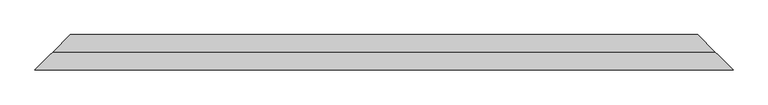
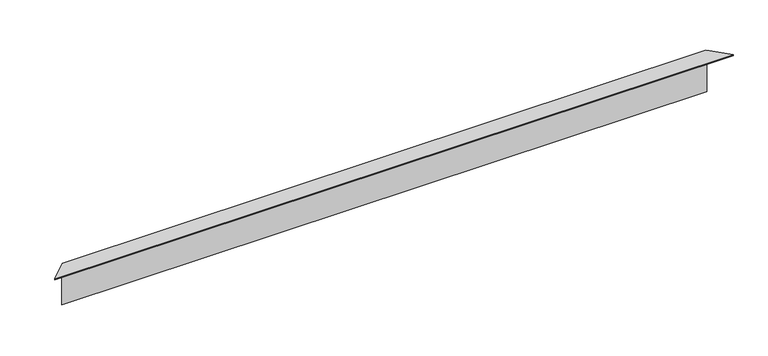
"""IFC4 building model written with IfcOpenShell, lengths in millimetres: proxy geometry."""

import ifcopenshell
import ifcopenshell.guid

model = None  # the IFC model being written
_history = None  # IfcOwnerHistory: only IFC2X3 demands one
_inside = {}  # id of a spatial element -> (the spatial element, [elements in it])
_under = {}  # id of a project, library or spatial element -> (it, [spatial elements below it])
_declared = {}  # id of a project -> (the project, [libraries it declares])
_typed = {}  # id of a type object -> (the type object, [elements of that type])
_made_of = {}  # id of a material, layer set ... -> (it, [elements and type objects made of it])


def new_model(schema):
    """Start an empty IFC model of exactly this schema.

    Asked for "IFC4X3", IfcOpenShell would pick the latest addendum, in which some entities
    have other attributes; the version numbers below select the first issue.
    IFC2X3 requires an IfcOwnerHistory on every rooted entity: one is made here for all.
    """
    global model, _history
    if schema == "IFC4X3":
        model = ifcopenshell.file(schema_version=(4, 3, 0, 0))
    else:
        model = ifcopenshell.file(schema=schema)
    _inside.clear()
    _under.clear()
    _declared.clear()
    _typed.clear()
    _made_of.clear()
    _history = None
    if model.schema == "IFC2X3":
        org = make("IfcOrganization", Name="unknown")
        user = make(
            "IfcPersonAndOrganization",
            ThePerson=make("IfcPerson", FamilyName="unknown"),
            TheOrganization=org,
        )
        app = make(
            "IfcApplication",
            ApplicationDeveloper=org,
            Version="unknown",
            ApplicationFullName="unknown",
            ApplicationIdentifier="unknown",
        )
        _history = make(
            "IfcOwnerHistory",
            OwningUser=user,
            OwningApplication=app,
            ChangeAction="ADDED",
            CreationDate=0,
        )
    return model


def make(cls, **values):
    """One entity of the class cls with the attributes given. An attribute that is None is left unset."""
    return model.create_entity(
        cls, **{name: value for name, value in values.items() if value is not None}
    )


def rooted(cls, **values):
    """An entity with a GlobalId (a new one), such as an element, a storey or a relation."""
    return make(cls, GlobalId=ifcopenshell.guid.new(), OwnerHistory=_history, **values)


def si_unit(unit_type, name, prefix=None):
    """IfcSIUnit, for example si_unit("LENGTHUNIT", "METRE", prefix="MILLI")."""
    return make("IfcSIUnit", UnitType=unit_type, Prefix=prefix, Name=name)


def assignment(units):
    """IfcUnitAssignment: the units of a project."""
    return None if units is None else make("IfcUnitAssignment", Units=units)


def point(xyz):
    """IfcCartesianPoint."""
    return None if xyz is None else make("IfcCartesianPoint", Coordinates=xyz)


def direction(xyz):
    """IfcDirection."""
    return None if xyz is None else make("IfcDirection", DirectionRatios=xyz)


def frame(location, z_axis=None, x_axis=None):
    """IfcAxis2Placement3D, a coordinate frame: its origin and axes. An axis left out is left unset."""
    return make(
        "IfcAxis2Placement3D",
        Location=point(location),
        Axis=direction(z_axis),
        RefDirection=direction(x_axis),
    )


def origin():
    """The frame at (0, 0, 0) with its axes left unset."""
    return frame((0.0, 0.0, 0.0))


def place(relative_to, where):
    """IfcLocalPlacement: puts the frame where relative to a parent placement (None: the world)."""
    return make(
        "IfcLocalPlacement", PlacementRelTo=relative_to, RelativePlacement=where
    )


def context(
    kind, dimensions, precision=None, world=None, true_north=None, identifier=None
):
    """IfcGeometricRepresentationContext, for example the 3D "Model" context."""
    return make(
        "IfcGeometricRepresentationContext",
        ContextIdentifier=identifier,
        ContextType=kind,
        CoordinateSpaceDimension=dimensions,
        Precision=precision,
        WorldCoordinateSystem=world,
        TrueNorth=true_north,
    )


def project(units=None, contexts=None):
    """IfcProject with its units and contexts."""
    return rooted(
        "IfcProject",
        Name="project",
        RepresentationContexts=contexts,
        UnitsInContext=assignment(units),
    )


def spatial(cls, under=None, at=None, **own):
    """A site, building, storey or space (cls), placed at a placement, below another one or the project."""
    s = rooted(cls, ObjectPlacement=at, **own)
    if under is not None:
        _under.setdefault(under.id(), (under, []))[1].append(s)
    return s


def faces_of(points, faces, orient=None, outer=None):
    """IfcFace entities. A face is a list of loops; a loop is a list of indices into points, from 0.

    orient and outer hold one flag for each loop. By default every Orientation is true, the
    first loop of a face is its IfcFaceOuterBound and the others are IfcFaceBound.
    """
    made = []
    for i, loops in enumerate(faces):
        bounds = []
        for j, loop in enumerate(loops):
            is_outer = j == 0 if outer is None else outer[i][j]
            bounds.append(
                make(
                    "IfcFaceOuterBound" if is_outer else "IfcFaceBound",
                    Bound=make("IfcPolyLoop", Polygon=[points[k] for k in loop]),
                    Orientation=True if orient is None else orient[i][j],
                )
            )
        made.append(make("IfcFace", Bounds=bounds))
    return made


def faceted_brep(points, faces, orient=None, outer=None, voids=None):
    """IfcFacetedBrep: a solid bounded by flat faces; with voids (closed shells), ...WithVoids."""
    shared = [point(p) for p in points]
    hull = make("IfcClosedShell", CfsFaces=faces_of(shared, faces, orient, outer))
    if voids is None:
        return make("IfcFacetedBrep", Outer=hull)
    return make(
        "IfcFacetedBrepWithVoids",
        Outer=hull,
        Voids=[
            make(cls, CfsFaces=faces_of(shared, fs, o, b)) for cls, fs, o, b in voids
        ],
    )


def shape(context_of_items, identifier, shape_type, items):
    """IfcShapeRepresentation: the items that make up one representation, for example the "Body"."""
    return make(
        "IfcShapeRepresentation",
        ContextOfItems=context_of_items,
        RepresentationIdentifier=identifier,
        RepresentationType=shape_type,
        Items=items,
    )


def source(mapping_origin, context_of_items, identifier, shape_type, items):
    """IfcRepresentationMap: a shape defined once, which mapped items show again and again."""
    return make(
        "IfcRepresentationMap",
        MappingOrigin=mapping_origin,
        MappedRepresentation=shape(context_of_items, identifier, shape_type, items),
    )


def transform(
    local_origin,
    x_axis=None,
    y_axis=None,
    z_axis=None,
    scale=None,
    scale2=None,
    scale3=None,
    uniform=True,
):
    """IfcCartesianTransformationOperator3D, or its non-uniform kind. x_axis, y_axis, z_axis: its Axis1, 2, 3."""
    if uniform:
        return make(
            "IfcCartesianTransformationOperator3D",
            Axis1=direction(x_axis),
            Axis2=direction(y_axis),
            LocalOrigin=point(local_origin),
            Scale=scale,
            Axis3=direction(z_axis),
        )
    return make(
        "IfcCartesianTransformationOperator3DnonUniform",
        Axis1=direction(x_axis),
        Axis2=direction(y_axis),
        LocalOrigin=point(local_origin),
        Scale=scale,
        Axis3=direction(z_axis),
        Scale2=scale2,
        Scale3=scale3,
    )


def mapped(mapping_source, mapping_target):
    """IfcMappedItem: shows the shape of a source again, moved by a transform."""
    return make(
        "IfcMappedItem", MappingSource=mapping_source, MappingTarget=mapping_target
    )


def made_of(thing, what):
    """Note that an element or type object is made of a material, layer set ...; save() writes the relation."""
    if what is not None:
        _made_of.setdefault(what.id(), (what, []))[1].append(thing)
    return thing


def element(
    cls,
    number,
    at=None,
    inside=None,
    cuts=None,
    type_object=None,
    material=None,
    context=None,
    identifier="Body",
    shape_type=None,
    held_by="IfcProductDefinitionShape",
    body=None,
    shapes=None,
    **own,
):
    """One element of the class cls, such as IfcWall. Its Tag is "e" and its number.

    at: its placement. inside: the storey or other place that contains it. cuts: it is an
    opening in that element (IfcRelVoidsElement). A single representation is given by context,
    identifier, shape_type and body (its items); several are given by shapes. held_by: the class
    of the entity that holds the representations. save() writes the other relations.
    """
    e = rooted(cls, Tag="e%d" % number, ObjectPlacement=at, **own)
    if body is not None:
        shapes = [shape(context, identifier, shape_type, body)]
    if shapes is not None:
        e.Representation = make(held_by, Representations=shapes)
    if inside is not None:
        _inside.setdefault(inside.id(), (inside, []))[1].append(e)
    if cuts is not None:
        rooted(
            "IfcRelVoidsElement", RelatingBuildingElement=cuts, RelatedOpeningElement=e
        )
    if type_object is not None:
        _typed.setdefault(type_object.id(), (type_object, []))[1].append(e)
    return made_of(e, material)


def aggregate(whole, parts):
    """IfcRelAggregates: a whole, such as a stair, and the parts it consists of."""
    return rooted("IfcRelAggregates", RelatingObject=whole, RelatedObjects=parts)


def save(model, path):
    """Write the relations noted so far, then the file.

    IfcRelAggregates (storeys below a building ...), IfcRelContainedInSpatialStructure (elements
    in a storey), IfcRelDefinesByType, IfcRelAssociatesMaterial and IfcRelDeclares: one each for
    every whole, place, type object, material and project.
    """
    for whole, parts in _under.values():
        aggregate(whole, parts)
    for where, things in _inside.values():
        rooted(
            "IfcRelContainedInSpatialStructure",
            RelatedElements=things,
            RelatingStructure=where,
        )
    for kind, things in _typed.values():
        rooted("IfcRelDefinesByType", RelatedObjects=things, RelatingType=kind)
    for what, things in _made_of.values():
        rooted("IfcRelAssociatesMaterial", RelatedObjects=things, RelatingMaterial=what)
    for by, libraries in _declared.values():
        rooted("IfcRelDeclares", RelatingContext=by, RelatedDefinitions=libraries)
    model.write(path)


def generic_models_3dfe272e(model_context):
    return source(origin(), model_context, "Body", "Brep", [
        faceted_brep([(45.0, 45.0, 2.0), (45.0, 45.0, 5.0), (1463.7010473, 45.0, 5.0), (1463.7010473, 45.0, 2.0), (35.0, 35.0, 2.0), (1473.7010473, 35.0, 2.0), (35.0, 35.0, 3.0), (1473.7010473, 35.0, 3.0), (44.0, 44.0, 3.0), (1464.7010473, 44.0, 3.0), (44.0, 44.0, 4.0), (1464.7010473, 44.0, 4.0), (4.0, 4.0, 4.0), (1504.7010473, 4.0, 4.0), (4.0, 4.0, 104.0), (1504.7010473, 4.0, 104.0), (0.0, 0.0, 104.0), (1508.7010473, 0.0, 104.0), (1542.7010473, -34.0, 104.0), (-34.0, -34.0, 104.0), (5.0, 5.0, 105.0), (0.0, 0.0, 105.0), (-35.0, -35.0, 105.0), (1543.7010473, -35.0, 105.0), (1508.7010473, 0.0, 105.0), (1503.7010473, 5.0, 105.0), (5.0, 5.0, 5.0), (1503.7010473, 5.0, 5.0), (-34.0, -34.0, 103.0), (1542.7010473, -34.0, 103.0), (-25.0, -25.0, 103.0), (1533.7010473, -25.0, 103.0), (-25.0, -25.0, 102.0), (1533.7010473, -25.0, 102.0), (-35.0, -35.0, 102.0), (1543.7010473, -35.0, 102.0)], [[[0, 1, 2, 3]], [[4, 0, 3, 5]], [[6, 4, 5, 7]], [[8, 6, 7, 9]], [[10, 8, 9, 11]], [[12, 10, 11, 13]], [[14, 12, 13, 15]], [[16, 14, 15, 17, 18, 19]], [[20, 21, 22, 23, 24, 25]], [[26, 20, 25, 27]], [[1, 26, 27, 2]], [[28, 19, 18, 29]], [[30, 28, 29, 31]], [[32, 30, 31, 33]], [[34, 32, 33, 35]], [[22, 34, 35, 23]], [[16, 21, 20, 26, 1, 0, 4, 6, 8, 10, 12, 14]], [[21, 16, 19, 28, 30, 32, 34, 22]], [[24, 17, 15, 13, 11, 9, 7, 5, 3, 2, 27, 25]], [[17, 24, 23, 35, 33, 31, 29, 18]]]),
    ])


if __name__ == "__main__":
    model = new_model("IFC4")
    model_context = context("Model", 3, world=origin())
    ifc_project = project(units=[si_unit("LENGTHUNIT", "METRE", prefix="MILLI")], contexts=[model_context])
    site = spatial("IfcSite", under=ifc_project)
    building = spatial("IfcBuilding", under=site)
    placement = place(None, origin())
    generic_models_shape = generic_models_3dfe272e(model_context)
    element("IfcBuildingElementProxy", 1, Name="Generic Models", at=placement, inside=building, context=model_context, shape_type="MappedRepresentation", body=[
        mapped(generic_models_shape, transform((0.0, 0.0, 0.0), x_axis=(1.0, 0.0, 0.0), y_axis=(0.0, 1.0, 0.0), z_axis=(0.0, 0.0, 1.0))),
    ])
    save(model, "model.ifc")
